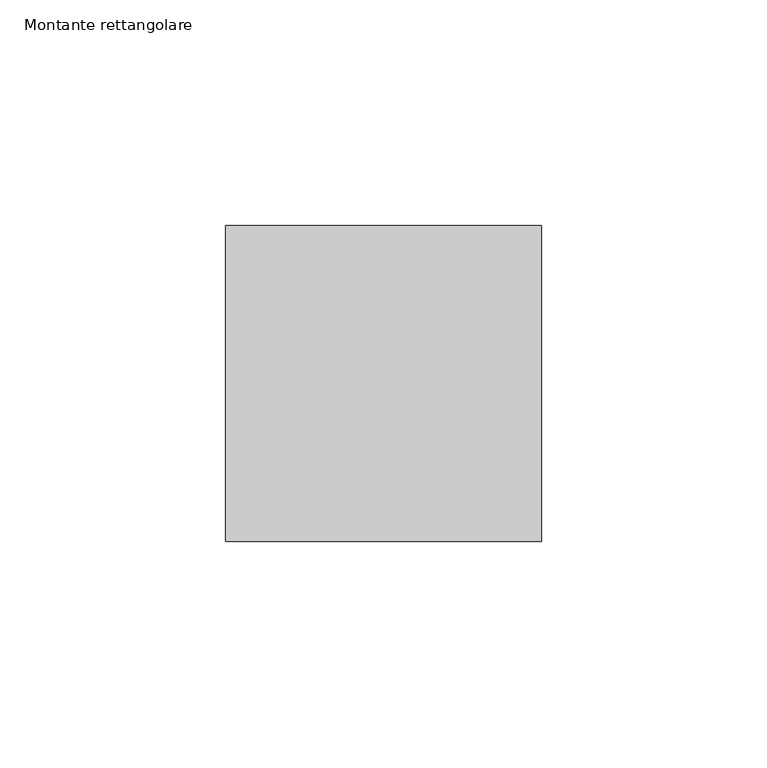
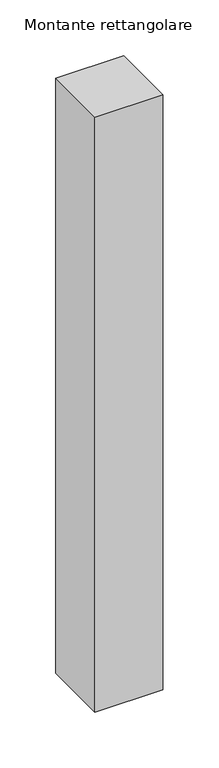
"""IFC4 building model written with IfcOpenShell, lengths in millimetres: member geometry, Montante rettangolare."""

from ifc_helpers import new_model, si_unit, frame, origin, place, context, project, spatial, polyline, outline, extrude, source, transform, mapped, element, save


def montante_rettangolare_cb258045(model_context):
    return source(origin(), model_context, "Body", "SweptSolid", [
        extrude(outline(polyline([(35.0, 35.0), (35.0, -35.0), (-35.0, -35.0), (-35.0, 35.0), (35.0, 35.0)])), frame((0.0, 0.0, -649.8361775), z_axis=(0.0, 0.0, 1.0), x_axis=(1.0, 0.0, 0.0)), (0.0, 0.0, 1.0), 649.8361775),
    ])


if __name__ == "__main__":
    model = new_model("IFC4")
    model_context = context("Model", 3, world=origin())
    ifc_project = project(units=[si_unit("LENGTHUNIT", "METRE", prefix="MILLI")], contexts=[model_context])
    site = spatial("IfcSite", under=ifc_project)
    building = spatial("IfcBuilding", under=site)
    placement = place(None, origin())
    montante_rettangolare_shape = montante_rettangolare_cb258045(model_context)
    element("IfcMember", 1, ObjectType="Montante rettangolare", at=placement, inside=building, context=model_context, shape_type="MappedRepresentation", body=[
        mapped(montante_rettangolare_shape, transform((0.0, 0.0, 0.0), x_axis=(1.0, 0.0, 0.0), y_axis=(0.0, 1.0, 0.0), z_axis=(0.0, 0.0, 1.0))),
    ])
    save(model, "model.ifc")
